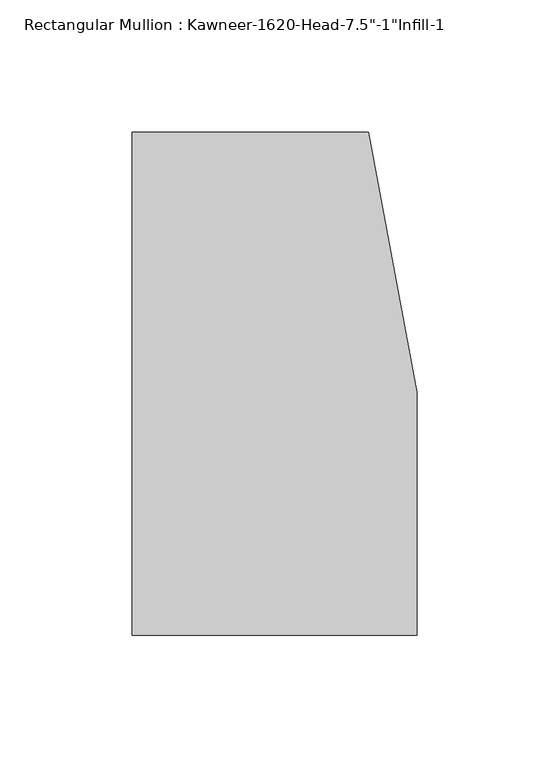
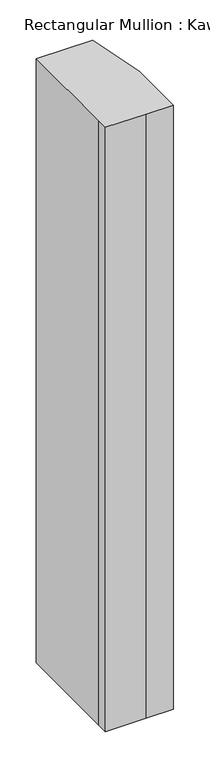
"""IFC4 building model written with IfcOpenShell, lengths in millimetres: member geometry."""

from ifc_helpers import new_model, si_unit, frame, origin, place, context, project, spatial, polyline, outline, extrude, source, transform, mapped, element, save


def member_f4bcb168(model_context):
    return source(origin(), model_context, "Body", "SweptSolid", [
        extrude(outline(polyline([(-107.95, -19.9095466), (-107.95, 152.4), (-18.3538271, 152.4), (0.0, 53.975), (0.0, -38.1), (-44.1519366, -38.1), (-107.95, -38.1), (-107.95, -19.9095466)])), frame((0.0, 0.0, -1016.0), z_axis=(0.0, 0.0, 1.0), x_axis=(1.0, 0.0, 0.0)), (0.0, 0.0, 1.0), 1016.0),
    ])


if __name__ == "__main__":
    model = new_model("IFC4")
    model_context = context("Model", 3, world=origin())
    ifc_project = project(units=[si_unit("LENGTHUNIT", "METRE", prefix="MILLI")], contexts=[model_context])
    site = spatial("IfcSite", under=ifc_project)
    building = spatial("IfcBuilding", under=site)
    placement = place(None, origin())
    member_shape = member_f4bcb168(model_context)
    element("IfcMember", 1, ObjectType="Rectangular Mullion : Kawneer-1620-Head-7.5\"-1\"Infill-1", at=placement, inside=building, context=model_context, shape_type="MappedRepresentation", body=[
        mapped(member_shape, transform((0.0, 0.0, 0.0), x_axis=(1.0, 0.0, 0.0), y_axis=(0.0, 1.0, 0.0), z_axis=(0.0, 0.0, 1.0))),
    ])
    save(model, "model.ifc")
